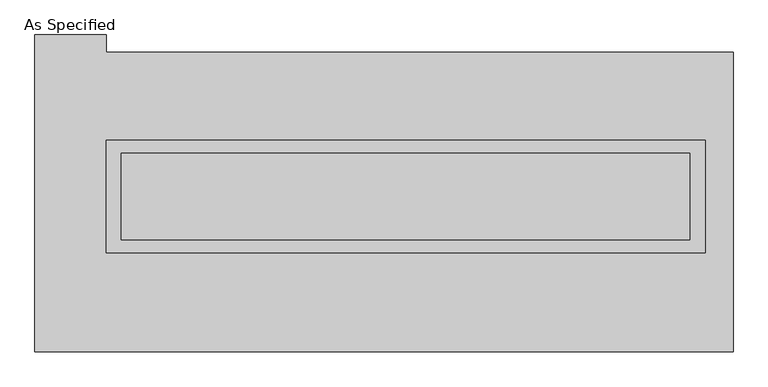
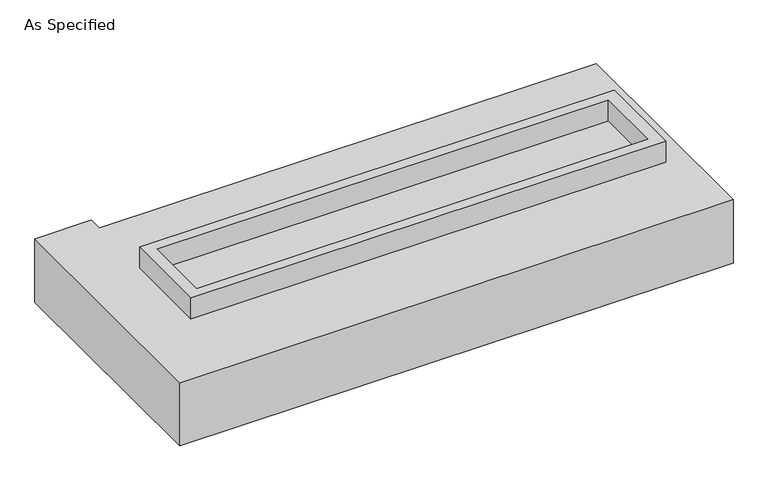
"""IFC4 building model written with IfcOpenShell, lengths in millimetres: proxy geometry, As Specified."""

from ifc_helpers import new_model, si_unit, frame, origin, place, context, project, spatial, polyline, outline, extrude, source, transform, mapped, element, save


def as_specified_0cb0af39(model_context):
    return source(origin(), model_context, "Body", "SweptSolid", [
        extrude(outline(polyline([(1765.3, 361.95), (1765.3, -298.45), (-1765.3, -298.45), (-1765.3, 361.95), (1765.3, 361.95)]), holes=[polyline([(1676.4, 285.75), (-1676.4, 285.75), (-1676.4, -222.25), (1676.4, -222.25), (1676.4, 285.75)])]), frame((0.0, 0.0, -688.975), z_axis=(0.0, 0.0, 1.0), x_axis=(1.0, 0.0, 0.0)), (0.0, 0.0, 1.0), 165.1),
        extrude(outline(polyline([(1765.3, 361.95), (1765.3, -298.45), (-1765.3, -298.45), (-1765.3, 361.95), (1765.3, 361.95)]), holes=[polyline([(1676.4, 285.75), (-1676.4, 285.75), (-1676.4, -222.25), (1676.4, -222.25), (1676.4, 285.75)])]), frame((0.0, 0.0, -25.4), z_axis=(0.0, 0.0, 1.0), x_axis=(1.0, 0.0, 0.0)), (0.0, 0.0, 1.0), 165.1),
        extrude(outline(polyline([(1676.4, 285.75), (1676.4, -222.25), (-1676.4, -222.25), (-1676.4, 285.75), (1676.4, 285.75)])), frame((0.0, 0.0, -523.875), z_axis=(0.0, 0.0, 1.0), x_axis=(1.0, 0.0, 0.0)), (0.0, 0.0, 1.0), 4.9609375),
        extrude(outline(polyline([(1676.4, 285.75), (1676.4, -222.25), (-1676.4, -222.25), (-1676.4, 285.75), (1676.4, 285.75)])), frame((0.0, 0.0, -30.3609375), z_axis=(0.0, 0.0, 1.0), x_axis=(1.0, 0.0, 0.0)), (0.0, 0.0, 1.0), 4.9609375),
        extrude(outline(polyline([(1930.4, -882.65), (-2184.4, -882.65), (-2184.4, 984.25), (-1765.3, 984.25), (-1765.3, 882.65), (1930.4, 882.65), (1930.4, -882.65)]), holes=[polyline([(-1765.3, 361.95), (-1765.3, -298.45), (1765.3, -298.45), (1765.3, 361.95), (-1765.3, 361.95)])]), frame((0.0, 0.0, -523.875), z_axis=(0.0, 0.0, 1.0), x_axis=(1.0, 0.0, 0.0)), (0.0, 0.0, 1.0), 498.475),
    ])


if __name__ == "__main__":
    model = new_model("IFC4")
    model_context = context("Model", 3, world=origin())
    ifc_project = project(units=[si_unit("LENGTHUNIT", "METRE", prefix="MILLI")], contexts=[model_context])
    site = spatial("IfcSite", under=ifc_project)
    building = spatial("IfcBuilding", under=site)
    placement = place(None, origin())
    as_specified_shape = as_specified_0cb0af39(model_context)
    element("IfcBuildingElementProxy", 1, Name="As Specified", ObjectType="As Specified", at=placement, inside=building, context=model_context, shape_type="MappedRepresentation", body=[
        mapped(as_specified_shape, transform((0.0, 0.0, 0.0), x_axis=(1.0, 0.0, 0.0), y_axis=(0.0, 1.0, 0.0), z_axis=(0.0, 0.0, 1.0))),
    ])
    save(model, "model.ifc")
